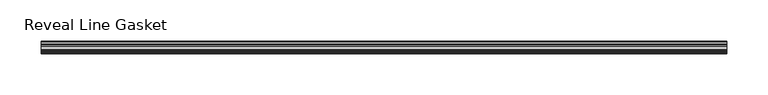
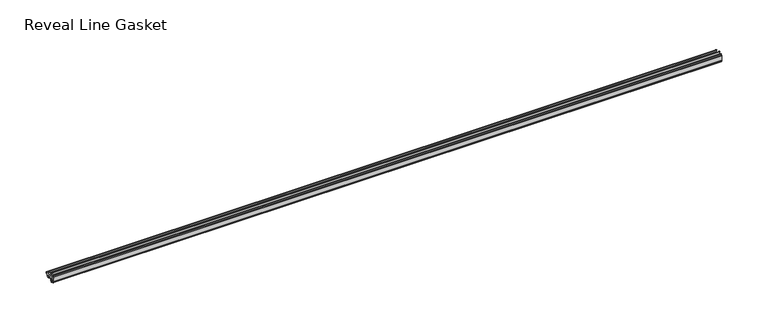
"""IFC4 building model written with IfcOpenShell, lengths in millimetres: furniture geometry, Reveal Line Gasket."""

from ifc_helpers import new_model, si_unit, point, frame, frame_2d, origin, place, context, project, spatial, polyline, circle_curve, trimmed, segment, composite_curve, outline, extrude, source, transform, mapped, element, save


def reveal_line_gasket_19e44f22(model_context):
    return source(origin(), model_context, "Body", "SweptSolid", [
        extrude(outline(composite_curve([segment(polyline([(-7.6326998, 1603.2), (-7.4091917, 1604.1554927), (-6.8813059, 1605.0884684)]), True, "CONTINUOUS"), segment(trimmed(circle_curve(frame_2d((-6.5243141, 1604.8864793)), 0.4101739), [point((-6.8813059, 1605.0884684))], [point((-6.1246704, 1604.7941347))], False, "CARTESIAN"), True, "CONTINUOUS"), segment(polyline([(-6.1246704, 1604.7941347), (-6.3626997, 1603.0979086), (-6.3626997, 1601.0654527)]), True, "CONTINUOUS"), segment(trimmed(circle_curve(frame_2d((-5.6959605, 1601.4819258)), 0.786124), [point((-6.3626997, 1601.0654527))], [point((-5.0926996, 1600.977875))], True, "CARTESIAN"), True, "CONTINUOUS"), segment(polyline([(-5.0926996, 1600.977875), (-0.7492996, 1600.977875), (-3.7293824, 1606.1395295)]), True, "CONTINUOUS"), segment(trimmed(circle_curve(frame_2d((-3.3132479, 1606.2049761)), 0.4212495), [point((-3.7293824, 1606.1395295))], [point((-3.0485022, 1606.5326358))], False, "CARTESIAN"), True, "CONTINUOUS"), segment(polyline([(-3.0485022, 1606.5326358), (0.5742594, 1600.977875), (4.8262978, 1600.977875), (3.1660374, 1603.8535297)]), True, "CONTINUOUS"), segment(trimmed(circle_curve(frame_2d((3.5978728, 1603.9118855)), 0.4357605), [point((3.1660374, 1603.8535297))], [point((3.864328, 1604.2566881))], False, "CARTESIAN"), True, "CONTINUOUS"), segment(polyline([(3.864328, 1604.2566881), (6.1944059, 1600.977875), (7.6326998, 1600.977875), (7.6326998, 1599.422125), (6.1944059, 1599.422125), (3.864328, 1596.1433119)]), True, "CONTINUOUS"), segment(trimmed(circle_curve(frame_2d((3.5978728, 1596.4881145)), 0.4357605), [point((3.864328, 1596.1433119))], [point((3.1660374, 1596.5464703))], False, "CARTESIAN"), True, "CONTINUOUS"), segment(polyline([(3.1660374, 1596.5464703), (4.8262978, 1599.422125), (0.5742594, 1599.422125), (-3.0485022, 1593.8673642)]), True, "CONTINUOUS"), segment(trimmed(circle_curve(frame_2d((-3.3132479, 1594.1950239)), 0.4212495), [point((-3.0485022, 1593.8673642))], [point((-3.7293824, 1594.2604705))], False, "CARTESIAN"), True, "CONTINUOUS"), segment(polyline([(-3.7293824, 1594.2604705), (-0.7492996, 1599.422125), (-5.0926996, 1599.422125)]), True, "CONTINUOUS"), segment(trimmed(circle_curve(frame_2d((-5.6959605, 1598.9180742)), 0.786124), [point((-5.0926996, 1599.422125))], [point((-6.3626997, 1599.3345473))], True, "CARTESIAN"), True, "CONTINUOUS"), segment(polyline([(-6.3626997, 1599.3345473), (-6.3626997, 1597.3020914), (-6.1246704, 1595.6058653)]), True, "CONTINUOUS"), segment(trimmed(circle_curve(frame_2d((-6.5243141, 1595.5135207)), 0.4101739), [point((-6.1246704, 1595.6058653))], [point((-6.8813059, 1595.3115316))], False, "CARTESIAN"), True, "CONTINUOUS"), segment(polyline([(-6.8813059, 1595.3115316), (-7.4091917, 1596.2445073), (-7.6326998, 1597.2), (-7.6326998, 1603.2)]), True, "CONTINUOUS")], self_intersect=False)), frame((-417.2204, 0.0, 0.0), z_axis=(1.0, 0.0, 0.0), x_axis=(0.0, 1.0, 0.0)), (0.0, 0.0, 1.0), 834.4408),
    ])


if __name__ == "__main__":
    model = new_model("IFC4")
    model_context = context("Model", 3, world=origin())
    ifc_project = project(units=[si_unit("LENGTHUNIT", "METRE", prefix="MILLI")], contexts=[model_context])
    site = spatial("IfcSite", under=ifc_project)
    building = spatial("IfcBuilding", under=site)
    placement = place(None, origin())
    reveal_line_gasket_shape = reveal_line_gasket_19e44f22(model_context)
    element("IfcFurniture", 1, ObjectType="Reveal Line Gasket", at=placement, inside=building, context=model_context, shape_type="MappedRepresentation", body=[
        mapped(reveal_line_gasket_shape, transform((0.0, 0.0, 0.0), x_axis=(1.0, 0.0, 0.0), y_axis=(0.0, 1.0, 0.0), z_axis=(0.0, 0.0, 1.0))),
    ])
    save(model, "model.ifc")
